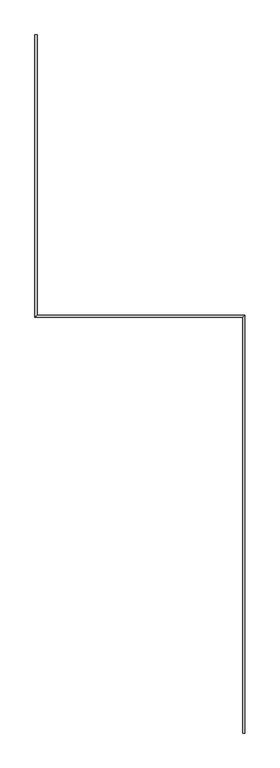
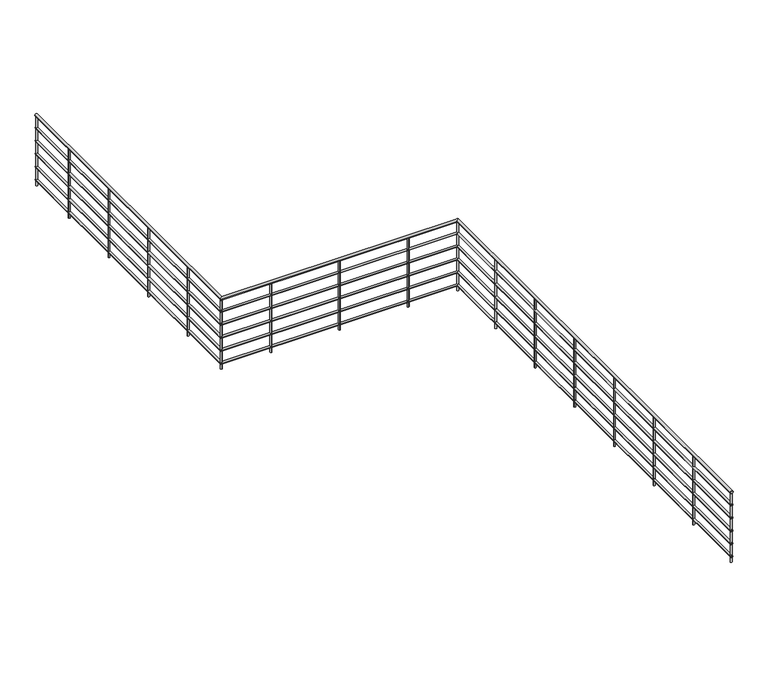
"""IFC4 building model written with IfcOpenShell, lengths in millimetres: railing geometry."""

from ifc_helpers import new_model, si_unit, point, frame, frame_2d, origin, place, context, project, spatial, circle_curve, ellipse_curve, trimmed, segment, composite_curve, outline, extrude, source, transform, mapped, element, save
from ifc_brep_helpers import plane_surface, cylinder_surface, advanced_brep


def railing_652278a1(model_context):
    return source(origin(), model_context, "Body", "SolidModel", [
        advanced_brep(
        [(-3040.9784025, -2650.3131013, 5680.0), (-3000.9784025, -2650.3131013, 5680.0), (-3040.9784025, 4254.6868987, 5680.0), (-3000.9784025, 4294.6868987, 5680.0), (-6490.9784025, 4254.6868987, 5680.0), (-6450.9784025, 4294.6868987, 5680.0), (-6490.9784025, 8949.6868987, 5680.0), (-6450.9784025, 8949.6868987, 5680.0)],
        [
            (0, 1, circle_curve(frame((-3020.9784025, -2650.3131013, 5680.0), z_axis=(0.0, -1.0, 0.0), x_axis=(1.0, 0.0, 0.0)), 20.0)),
            (1, 0, circle_curve(frame((-3020.9784025, -2650.3131013, 5680.0), z_axis=(0.0, -1.0, 0.0), x_axis=(1.0, 0.0, 0.0)), 20.0)),
            (0, 2),
            (2, 3, ellipse_curve(frame((-3020.9784025, 4274.6868987, 5680.0), z_axis=(0.707106781186546, -0.7071067811865489, 0.0), x_axis=(-0.7071067811865489, -0.7071067811865461, 0.0)), 28.2842712, 20.0)),
            (3, 1),
            (3, 2, ellipse_curve(frame((-3020.9784025, 4274.6868987, 5680.0), z_axis=(0.707106781186546, -0.7071067811865489, 0.0), x_axis=(-0.7071067811865489, -0.7071067811865461, 0.0)), 28.2842712, 20.0)),
            (2, 4),
            (4, 5, ellipse_curve(frame((-6470.9784025, 4274.6868987, 5680.0), z_axis=(0.707106781186546, -0.7071067811865489, 0.0), x_axis=(0.707106781186549, 0.7071067811865459, 0.0)), 28.2842712, 20.0)),
            (5, 3),
            (5, 4, ellipse_curve(frame((-6470.9784025, 4274.6868987, 5680.0), z_axis=(0.707106781186546, -0.7071067811865489, 0.0), x_axis=(0.707106781186549, 0.7071067811865459, 0.0)), 28.2842712, 20.0)),
            (6, 7, circle_curve(frame((-6470.9784025, 8949.6868987, 5680.0), z_axis=(0.0, 1.0, 0.0), x_axis=(1.0, 0.0, 0.0)), 20.0)),
            (7, 6, circle_curve(frame((-6470.9784025, 8949.6868987, 5680.0), z_axis=(0.0, 1.0, 0.0), x_axis=(1.0, 0.0, 0.0)), 20.0)),
            (4, 6),
            (7, 5),
        ],
        [
            plane_surface(frame((-3020.9784025, -2650.3131013, 5700.0), z_axis=(0.0, -1.0, 0.0), x_axis=(0.0, 0.0, 1.0))),
            cylinder_surface(frame((-3020.9784025, -2650.3131013, 5680.0), z_axis=(0.0, -1.0, 0.0), x_axis=(1.0, 0.0, 0.0)), 20.0),
            cylinder_surface(frame((-3020.9784025, 4274.6868987, 5680.0), z_axis=(1.0, 0.0, 0.0), x_axis=(0.0, 1.0, 0.0)), 20.0),
            plane_surface(frame((-6470.9784025, 8949.6868987, 5700.0), z_axis=(0.0, 1.0, 0.0), x_axis=(0.0, 0.0, 1.0))),
            cylinder_surface(frame((-6470.9784025, 4274.6868987, 5680.0), z_axis=(0.0, -1.0, 0.0), x_axis=(1.0, 0.0, 0.0)), 20.0),
        ],
        [
            (0, [[1, 2]]),
            (1, [[-1, 3, 4, 5]]),
            (1, [[-2, -5, 6, -3]]),
            (2, [[-4, 7, 8, 9]]),
            (2, [[-6, -9, 10, -7]]),
            (3, [[11, 12]]),
            (4, [[-8, 13, -12, 14]]),
            (4, [[-10, -14, -11, -13]]),
        ],
    ),
        advanced_brep(
        [(-3035.9784025, -2650.3131013, 5485.0), (-3005.9784025, -2650.3131013, 5485.0), (-3035.9784025, 4259.6868987, 5485.0), (-3005.9784025, 4289.6868987, 5485.0), (-6485.9784025, 4259.6868987, 5485.0), (-6455.9784025, 4289.6868987, 5485.0), (-6485.9784025, 8949.6868987, 5485.0), (-6455.9784025, 8949.6868987, 5485.0)],
        [
            (0, 1, circle_curve(frame((-3020.9784025, -2650.3131013, 5485.0), z_axis=(0.0, -1.0, 0.0), x_axis=(1.0, 0.0, 0.0)), 15.0)),
            (1, 0, circle_curve(frame((-3020.9784025, -2650.3131013, 5485.0), z_axis=(0.0, -1.0, 0.0), x_axis=(1.0, 0.0, 0.0)), 15.0)),
            (0, 2),
            (2, 3, ellipse_curve(frame((-3020.9784025, 4274.6868987, 5485.0), z_axis=(0.707106781186546, -0.7071067811865489, 0.0), x_axis=(-0.7071067811865489, -0.7071067811865461, 0.0)), 21.2132034, 15.0)),
            (3, 1),
            (3, 2, ellipse_curve(frame((-3020.9784025, 4274.6868987, 5485.0), z_axis=(0.707106781186546, -0.7071067811865489, 0.0), x_axis=(-0.7071067811865489, -0.7071067811865461, 0.0)), 21.2132034, 15.0)),
            (2, 4),
            (4, 5, ellipse_curve(frame((-6470.9784025, 4274.6868987, 5485.0), z_axis=(0.707106781186546, -0.7071067811865489, 0.0), x_axis=(0.707106781186549, 0.7071067811865459, 0.0)), 21.2132034, 15.0)),
            (5, 3),
            (5, 4, ellipse_curve(frame((-6470.9784025, 4274.6868987, 5485.0), z_axis=(0.707106781186546, -0.7071067811865489, 0.0), x_axis=(0.707106781186549, 0.7071067811865459, 0.0)), 21.2132034, 15.0)),
            (6, 7, circle_curve(frame((-6470.9784025, 8949.6868987, 5485.0), z_axis=(0.0, 1.0, 0.0), x_axis=(1.0, 0.0, 0.0)), 15.0)),
            (7, 6, circle_curve(frame((-6470.9784025, 8949.6868987, 5485.0), z_axis=(0.0, 1.0, 0.0), x_axis=(1.0, 0.0, 0.0)), 15.0)),
            (4, 6),
            (7, 5),
        ],
        [
            plane_surface(frame((-3020.9784025, -2650.3131013, 5500.0), z_axis=(0.0, -1.0, 0.0), x_axis=(0.0, 0.0, 1.0))),
            cylinder_surface(frame((-3020.9784025, -2650.3131013, 5485.0), z_axis=(0.0, -1.0, 0.0), x_axis=(1.0, 0.0, 0.0)), 15.0),
            cylinder_surface(frame((-3020.9784025, 4274.6868987, 5485.0), z_axis=(1.0, 0.0, 0.0), x_axis=(0.0, 1.0, 0.0)), 15.0),
            plane_surface(frame((-6470.9784025, 8949.6868987, 5500.0), z_axis=(0.0, 1.0, 0.0), x_axis=(0.0, 0.0, 1.0))),
            cylinder_surface(frame((-6470.9784025, 4274.6868987, 5485.0), z_axis=(0.0, -1.0, 0.0), x_axis=(1.0, 0.0, 0.0)), 15.0),
        ],
        [
            (0, [[1, 2]]),
            (1, [[-1, 3, 4, 5]]),
            (1, [[-2, -5, 6, -3]]),
            (2, [[-4, 7, 8, 9]]),
            (2, [[-6, -9, 10, -7]]),
            (3, [[11, 12]]),
            (4, [[-8, 13, -12, 14]]),
            (4, [[-10, -14, -11, -13]]),
        ],
    ),
        advanced_brep(
        [(-3035.9784025, -2650.3131013, 5285.0), (-3005.9784025, -2650.3131013, 5285.0), (-3035.9784025, 4259.6868987, 5285.0), (-3005.9784025, 4289.6868987, 5285.0), (-6485.9784025, 4259.6868987, 5285.0), (-6455.9784025, 4289.6868987, 5285.0), (-6485.9784025, 8949.6868987, 5285.0), (-6455.9784025, 8949.6868987, 5285.0)],
        [
            (0, 1, circle_curve(frame((-3020.9784025, -2650.3131013, 5285.0), z_axis=(0.0, -1.0, 0.0), x_axis=(1.0, 0.0, 0.0)), 15.0)),
            (1, 0, circle_curve(frame((-3020.9784025, -2650.3131013, 5285.0), z_axis=(0.0, -1.0, 0.0), x_axis=(1.0, 0.0, 0.0)), 15.0)),
            (0, 2),
            (2, 3, ellipse_curve(frame((-3020.9784025, 4274.6868987, 5285.0), z_axis=(0.707106781186546, -0.7071067811865489, 0.0), x_axis=(-0.7071067811865489, -0.7071067811865461, 0.0)), 21.2132034, 15.0)),
            (3, 1),
            (3, 2, ellipse_curve(frame((-3020.9784025, 4274.6868987, 5285.0), z_axis=(0.707106781186546, -0.7071067811865489, 0.0), x_axis=(-0.7071067811865489, -0.7071067811865461, 0.0)), 21.2132034, 15.0)),
            (2, 4),
            (4, 5, ellipse_curve(frame((-6470.9784025, 4274.6868987, 5285.0), z_axis=(0.707106781186546, -0.7071067811865489, 0.0), x_axis=(0.707106781186549, 0.7071067811865459, 0.0)), 21.2132034, 15.0)),
            (5, 3),
            (5, 4, ellipse_curve(frame((-6470.9784025, 4274.6868987, 5285.0), z_axis=(0.707106781186546, -0.7071067811865489, 0.0), x_axis=(0.707106781186549, 0.7071067811865459, 0.0)), 21.2132034, 15.0)),
            (6, 7, circle_curve(frame((-6470.9784025, 8949.6868987, 5285.0), z_axis=(0.0, 1.0, 0.0), x_axis=(1.0, 0.0, 0.0)), 15.0)),
            (7, 6, circle_curve(frame((-6470.9784025, 8949.6868987, 5285.0), z_axis=(0.0, 1.0, 0.0), x_axis=(1.0, 0.0, 0.0)), 15.0)),
            (4, 6),
            (7, 5),
        ],
        [
            plane_surface(frame((-3020.9784025, -2650.3131013, 5300.0), z_axis=(0.0, -1.0, 0.0), x_axis=(0.0, 0.0, 1.0))),
            cylinder_surface(frame((-3020.9784025, -2650.3131013, 5285.0), z_axis=(0.0, -1.0, 0.0), x_axis=(1.0, 0.0, 0.0)), 15.0),
            cylinder_surface(frame((-3020.9784025, 4274.6868987, 5285.0), z_axis=(1.0, 0.0, 0.0), x_axis=(0.0, 1.0, 0.0)), 15.0),
            plane_surface(frame((-6470.9784025, 8949.6868987, 5300.0), z_axis=(0.0, 1.0, 0.0), x_axis=(0.0, 0.0, 1.0))),
            cylinder_surface(frame((-6470.9784025, 4274.6868987, 5285.0), z_axis=(0.0, -1.0, 0.0), x_axis=(1.0, 0.0, 0.0)), 15.0),
        ],
        [
            (0, [[1, 2]]),
            (1, [[-1, 3, 4, 5]]),
            (1, [[-2, -5, 6, -3]]),
            (2, [[-4, 7, 8, 9]]),
            (2, [[-6, -9, 10, -7]]),
            (3, [[11, 12]]),
            (4, [[-8, 13, -12, 14]]),
            (4, [[-10, -14, -11, -13]]),
        ],
    ),
        advanced_brep(
        [(-3035.9784025, -2650.3131013, 5085.0), (-3005.9784025, -2650.3131013, 5085.0), (-3035.9784025, 4259.6868987, 5085.0), (-3005.9784025, 4289.6868987, 5085.0), (-6485.9784025, 4259.6868987, 5085.0), (-6455.9784025, 4289.6868987, 5085.0), (-6485.9784025, 8949.6868987, 5085.0), (-6455.9784025, 8949.6868987, 5085.0)],
        [
            (0, 1, circle_curve(frame((-3020.9784025, -2650.3131013, 5085.0), z_axis=(0.0, -1.0, 0.0), x_axis=(1.0, 0.0, 0.0)), 15.0)),
            (1, 0, circle_curve(frame((-3020.9784025, -2650.3131013, 5085.0), z_axis=(0.0, -1.0, 0.0), x_axis=(1.0, 0.0, 0.0)), 15.0)),
            (0, 2),
            (2, 3, ellipse_curve(frame((-3020.9784025, 4274.6868987, 5085.0), z_axis=(0.707106781186546, -0.7071067811865489, 0.0), x_axis=(-0.7071067811865489, -0.7071067811865461, 0.0)), 21.2132034, 15.0)),
            (3, 1),
            (3, 2, ellipse_curve(frame((-3020.9784025, 4274.6868987, 5085.0), z_axis=(0.707106781186546, -0.7071067811865489, 0.0), x_axis=(-0.7071067811865489, -0.7071067811865461, 0.0)), 21.2132034, 15.0)),
            (2, 4),
            (4, 5, ellipse_curve(frame((-6470.9784025, 4274.6868987, 5085.0), z_axis=(0.707106781186546, -0.7071067811865489, 0.0), x_axis=(0.707106781186549, 0.7071067811865459, 0.0)), 21.2132034, 15.0)),
            (5, 3),
            (5, 4, ellipse_curve(frame((-6470.9784025, 4274.6868987, 5085.0), z_axis=(0.707106781186546, -0.7071067811865489, 0.0), x_axis=(0.707106781186549, 0.7071067811865459, 0.0)), 21.2132034, 15.0)),
            (6, 7, circle_curve(frame((-6470.9784025, 8949.6868987, 5085.0), z_axis=(0.0, 1.0, 0.0), x_axis=(1.0, 0.0, 0.0)), 15.0)),
            (7, 6, circle_curve(frame((-6470.9784025, 8949.6868987, 5085.0), z_axis=(0.0, 1.0, 0.0), x_axis=(1.0, 0.0, 0.0)), 15.0)),
            (4, 6),
            (7, 5),
        ],
        [
            plane_surface(frame((-3020.9784025, -2650.3131013, 5100.0), z_axis=(0.0, -1.0, 0.0), x_axis=(0.0, 0.0, 1.0))),
            cylinder_surface(frame((-3020.9784025, -2650.3131013, 5085.0), z_axis=(0.0, -1.0, 0.0), x_axis=(1.0, 0.0, 0.0)), 15.0),
            cylinder_surface(frame((-3020.9784025, 4274.6868987, 5085.0), z_axis=(1.0, 0.0, 0.0), x_axis=(0.0, 1.0, 0.0)), 15.0),
            plane_surface(frame((-6470.9784025, 8949.6868987, 5100.0), z_axis=(0.0, 1.0, 0.0), x_axis=(0.0, 0.0, 1.0))),
            cylinder_surface(frame((-6470.9784025, 4274.6868987, 5085.0), z_axis=(0.0, -1.0, 0.0), x_axis=(1.0, 0.0, 0.0)), 15.0),
        ],
        [
            (0, [[1, 2]]),
            (1, [[-1, 3, 4, 5]]),
            (1, [[-2, -5, 6, -3]]),
            (2, [[-4, 7, 8, 9]]),
            (2, [[-6, -9, 10, -7]]),
            (3, [[11, 12]]),
            (4, [[-8, 13, -12, 14]]),
            (4, [[-10, -14, -11, -13]]),
        ],
    ),
        advanced_brep(
        [(-3035.9784025, -2650.3131013, 4885.0), (-3005.9784025, -2650.3131013, 4885.0), (-3035.9784025, 4259.6868987, 4885.0), (-3005.9784025, 4289.6868987, 4885.0), (-6485.9784025, 4259.6868987, 4885.0), (-6455.9784025, 4289.6868987, 4885.0), (-6485.9784025, 8949.6868987, 4885.0), (-6455.9784025, 8949.6868987, 4885.0)],
        [
            (0, 1, circle_curve(frame((-3020.9784025, -2650.3131013, 4885.0), z_axis=(0.0, -1.0, 0.0), x_axis=(1.0, 0.0, 0.0)), 15.0)),
            (1, 0, circle_curve(frame((-3020.9784025, -2650.3131013, 4885.0), z_axis=(0.0, -1.0, 0.0), x_axis=(1.0, 0.0, 0.0)), 15.0)),
            (0, 2),
            (2, 3, ellipse_curve(frame((-3020.9784025, 4274.6868987, 4885.0), z_axis=(0.707106781186546, -0.7071067811865489, 0.0), x_axis=(-0.7071067811865489, -0.7071067811865461, 0.0)), 21.2132034, 15.0)),
            (3, 1),
            (3, 2, ellipse_curve(frame((-3020.9784025, 4274.6868987, 4885.0), z_axis=(0.707106781186546, -0.7071067811865489, 0.0), x_axis=(-0.7071067811865489, -0.7071067811865461, 0.0)), 21.2132034, 15.0)),
            (2, 4),
            (4, 5, ellipse_curve(frame((-6470.9784025, 4274.6868987, 4885.0), z_axis=(0.707106781186546, -0.7071067811865489, 0.0), x_axis=(0.707106781186549, 0.7071067811865459, 0.0)), 21.2132034, 15.0)),
            (5, 3),
            (5, 4, ellipse_curve(frame((-6470.9784025, 4274.6868987, 4885.0), z_axis=(0.707106781186546, -0.7071067811865489, 0.0), x_axis=(0.707106781186549, 0.7071067811865459, 0.0)), 21.2132034, 15.0)),
            (6, 7, circle_curve(frame((-6470.9784025, 8949.6868987, 4885.0), z_axis=(0.0, 1.0, 0.0), x_axis=(1.0, 0.0, 0.0)), 15.0)),
            (7, 6, circle_curve(frame((-6470.9784025, 8949.6868987, 4885.0), z_axis=(0.0, 1.0, 0.0), x_axis=(1.0, 0.0, 0.0)), 15.0)),
            (4, 6),
            (7, 5),
        ],
        [
            plane_surface(frame((-3020.9784025, -2650.3131013, 4900.0), z_axis=(0.0, -1.0, 0.0), x_axis=(0.0, 0.0, 1.0))),
            cylinder_surface(frame((-3020.9784025, -2650.3131013, 4885.0), z_axis=(0.0, -1.0, 0.0), x_axis=(1.0, 0.0, 0.0)), 15.0),
            cylinder_surface(frame((-3020.9784025, 4274.6868987, 4885.0), z_axis=(1.0, 0.0, 0.0), x_axis=(0.0, 1.0, 0.0)), 15.0),
            plane_surface(frame((-6470.9784025, 8949.6868987, 4900.0), z_axis=(0.0, 1.0, 0.0), x_axis=(0.0, 0.0, 1.0))),
            cylinder_surface(frame((-6470.9784025, 4274.6868987, 4885.0), z_axis=(0.0, -1.0, 0.0), x_axis=(1.0, 0.0, 0.0)), 15.0),
        ],
        [
            (0, [[1, 2]]),
            (1, [[-1, 3, 4, 5]]),
            (1, [[-2, -5, 6, -3]]),
            (2, [[-4, 7, 8, 9]]),
            (2, [[-6, -9, 10, -7]]),
            (3, [[11, 12]]),
            (4, [[-8, 13, -12, 14]]),
            (4, [[-10, -14, -11, -13]]),
        ],
    ),
        advanced_brep(
        [(-3035.9784025, -2650.3131013, 4685.0), (-3005.9784025, -2650.3131013, 4685.0), (-3035.9784025, 4259.6868987, 4685.0), (-3005.9784025, 4289.6868987, 4685.0), (-6485.9784025, 4259.6868987, 4685.0), (-6455.9784025, 4289.6868987, 4685.0), (-6485.9784025, 8949.6868987, 4685.0), (-6455.9784025, 8949.6868987, 4685.0)],
        [
            (0, 1, circle_curve(frame((-3020.9784025, -2650.3131013, 4685.0), z_axis=(0.0, -1.0, 0.0), x_axis=(1.0, 0.0, 0.0)), 15.0)),
            (1, 0, circle_curve(frame((-3020.9784025, -2650.3131013, 4685.0), z_axis=(0.0, -1.0, 0.0), x_axis=(1.0, 0.0, 0.0)), 15.0)),
            (0, 2),
            (2, 3, ellipse_curve(frame((-3020.9784025, 4274.6868987, 4685.0), z_axis=(0.707106781186546, -0.7071067811865489, 0.0), x_axis=(-0.7071067811865489, -0.7071067811865461, 0.0)), 21.2132034, 15.0)),
            (3, 1),
            (3, 2, ellipse_curve(frame((-3020.9784025, 4274.6868987, 4685.0), z_axis=(0.707106781186546, -0.7071067811865489, 0.0), x_axis=(-0.7071067811865489, -0.7071067811865461, 0.0)), 21.2132034, 15.0)),
            (2, 4),
            (4, 5, ellipse_curve(frame((-6470.9784025, 4274.6868987, 4685.0), z_axis=(0.707106781186546, -0.7071067811865489, 0.0), x_axis=(0.707106781186549, 0.7071067811865459, 0.0)), 21.2132034, 15.0)),
            (5, 3),
            (5, 4, ellipse_curve(frame((-6470.9784025, 4274.6868987, 4685.0), z_axis=(0.707106781186546, -0.7071067811865489, 0.0), x_axis=(0.707106781186549, 0.7071067811865459, 0.0)), 21.2132034, 15.0)),
            (6, 7, circle_curve(frame((-6470.9784025, 8949.6868987, 4685.0), z_axis=(0.0, 1.0, 0.0), x_axis=(1.0, 0.0, 0.0)), 15.0)),
            (7, 6, circle_curve(frame((-6470.9784025, 8949.6868987, 4685.0), z_axis=(0.0, 1.0, 0.0), x_axis=(1.0, 0.0, 0.0)), 15.0)),
            (4, 6),
            (7, 5),
        ],
        [
            plane_surface(frame((-3020.9784025, -2650.3131013, 4700.0), z_axis=(0.0, -1.0, 0.0), x_axis=(0.0, 0.0, 1.0))),
            cylinder_surface(frame((-3020.9784025, -2650.3131013, 4685.0), z_axis=(0.0, -1.0, 0.0), x_axis=(1.0, 0.0, 0.0)), 15.0),
            cylinder_surface(frame((-3020.9784025, 4274.6868987, 4685.0), z_axis=(1.0, 0.0, 0.0), x_axis=(0.0, 1.0, 0.0)), 15.0),
            plane_surface(frame((-6470.9784025, 8949.6868987, 4700.0), z_axis=(0.0, 1.0, 0.0), x_axis=(0.0, 0.0, 1.0))),
            cylinder_surface(frame((-6470.9784025, 4274.6868987, 4685.0), z_axis=(0.0, -1.0, 0.0), x_axis=(1.0, 0.0, 0.0)), 15.0),
        ],
        [
            (0, [[1, 2]]),
            (1, [[-1, 3, 4, 5]]),
            (1, [[-2, -5, 6, -3]]),
            (2, [[-4, 7, 8, 9]]),
            (2, [[-6, -9, 10, -7]]),
            (3, [[11, 12]]),
            (4, [[-8, 13, -12, 14]]),
            (4, [[-10, -14, -11, -13]]),
        ],
    ),
        extrude(outline(composite_curve([segment(trimmed(circle_curve(frame_2d((-6470.9784025, 8112.1868987)), 12.5), [point((-6483.4784025, 8112.1868987))], [point((-6458.4784025, 8112.1868987))], False, "CARTESIAN"), True, "CONTINUOUS"), segment(trimmed(circle_curve(frame_2d((-6470.9784025, 8112.1868987)), 12.5), [point((-6458.4784025, 8112.1868987))], [point((-6483.4784025, 8112.1868987))], False, "CARTESIAN"), True, "CONTINUOUS")], self_intersect=False)), frame((0.0, 0.0, 4600.0), z_axis=(0.0, 0.0, 1.0), x_axis=(1.0, 0.0, 0.0)), (0.0, 0.0, 1.0), 1060.0),
        extrude(outline(composite_curve([segment(trimmed(circle_curve(frame_2d((-6470.9784025, 7112.1868987)), 12.5), [point((-6483.4784025, 7112.1868987))], [point((-6458.4784025, 7112.1868987))], False, "CARTESIAN"), True, "CONTINUOUS"), segment(trimmed(circle_curve(frame_2d((-6470.9784025, 7112.1868987)), 12.5), [point((-6458.4784025, 7112.1868987))], [point((-6483.4784025, 7112.1868987))], False, "CARTESIAN"), True, "CONTINUOUS")], self_intersect=False)), frame((0.0, 0.0, 4600.0), z_axis=(0.0, 0.0, 1.0), x_axis=(1.0, 0.0, 0.0)), (0.0, 0.0, 1.0), 1060.0),
        extrude(outline(composite_curve([segment(trimmed(circle_curve(frame_2d((-6470.9784025, 6112.1868987)), 12.5), [point((-6483.4784025, 6112.1868987))], [point((-6458.4784025, 6112.1868987))], False, "CARTESIAN"), True, "CONTINUOUS"), segment(trimmed(circle_curve(frame_2d((-6470.9784025, 6112.1868987)), 12.5), [point((-6458.4784025, 6112.1868987))], [point((-6483.4784025, 6112.1868987))], False, "CARTESIAN"), True, "CONTINUOUS")], self_intersect=False)), frame((0.0, 0.0, 4600.0), z_axis=(0.0, 0.0, 1.0), x_axis=(1.0, 0.0, 0.0)), (0.0, 0.0, 1.0), 1060.0),
        extrude(outline(composite_curve([segment(trimmed(circle_curve(frame_2d((-6470.9784025, 5112.1868987)), 12.5), [point((-6483.4784025, 5112.1868987))], [point((-6458.4784025, 5112.1868987))], False, "CARTESIAN"), True, "CONTINUOUS"), segment(trimmed(circle_curve(frame_2d((-6470.9784025, 5112.1868987)), 12.5), [point((-6458.4784025, 5112.1868987))], [point((-6483.4784025, 5112.1868987))], False, "CARTESIAN"), True, "CONTINUOUS")], self_intersect=False)), frame((0.0, 0.0, 4600.0), z_axis=(0.0, 0.0, 1.0), x_axis=(1.0, 0.0, 0.0)), (0.0, 0.0, 1.0), 1060.0),
        extrude(outline(composite_curve([segment(trimmed(circle_curve(frame_2d((-5745.9784025, 4274.6868987)), 12.5), [point((-5745.9784025, 4262.1868987))], [point((-5745.9784025, 4287.1868987))], False, "CARTESIAN"), True, "CONTINUOUS"), segment(trimmed(circle_curve(frame_2d((-5745.9784025, 4274.6868987)), 12.5), [point((-5745.9784025, 4287.1868987))], [point((-5745.9784025, 4262.1868987))], False, "CARTESIAN"), True, "CONTINUOUS")], self_intersect=False)), frame((0.0, 0.0, 4600.0), z_axis=(0.0, 0.0, 1.0), x_axis=(1.0, 0.0, 0.0)), (0.0, 0.0, 1.0), 1060.0),
        extrude(outline(composite_curve([segment(trimmed(circle_curve(frame_2d((-4745.9784025, 4274.6868987)), 12.5), [point((-4745.9784025, 4262.1868987))], [point((-4745.9784025, 4287.1868987))], False, "CARTESIAN"), True, "CONTINUOUS"), segment(trimmed(circle_curve(frame_2d((-4745.9784025, 4274.6868987)), 12.5), [point((-4745.9784025, 4287.1868987))], [point((-4745.9784025, 4262.1868987))], False, "CARTESIAN"), True, "CONTINUOUS")], self_intersect=False)), frame((0.0, 0.0, 4600.0), z_axis=(0.0, 0.0, 1.0), x_axis=(1.0, 0.0, 0.0)), (0.0, 0.0, 1.0), 1060.0),
        extrude(outline(composite_curve([segment(trimmed(circle_curve(frame_2d((-3745.9784025, 4274.6868987)), 12.5), [point((-3745.9784025, 4262.1868987))], [point((-3745.9784025, 4287.1868987))], False, "CARTESIAN"), True, "CONTINUOUS"), segment(trimmed(circle_curve(frame_2d((-3745.9784025, 4274.6868987)), 12.5), [point((-3745.9784025, 4287.1868987))], [point((-3745.9784025, 4262.1868987))], False, "CARTESIAN"), True, "CONTINUOUS")], self_intersect=False)), frame((0.0, 0.0, 4600.0), z_axis=(0.0, 0.0, 1.0), x_axis=(1.0, 0.0, 0.0)), (0.0, 0.0, 1.0), 1060.0),
        extrude(outline(composite_curve([segment(trimmed(circle_curve(frame_2d((-3020.9784025, 3312.1868987)), 12.5), [point((-3033.4784025, 3312.1868987))], [point((-3008.4784025, 3312.1868987))], False, "CARTESIAN"), True, "CONTINUOUS"), segment(trimmed(circle_curve(frame_2d((-3020.9784025, 3312.1868987)), 12.5), [point((-3008.4784025, 3312.1868987))], [point((-3033.4784025, 3312.1868987))], False, "CARTESIAN"), True, "CONTINUOUS")], self_intersect=False)), frame((0.0, 0.0, 4600.0), z_axis=(0.0, 0.0, 1.0), x_axis=(1.0, 0.0, 0.0)), (0.0, 0.0, 1.0), 1060.0),
        extrude(outline(composite_curve([segment(trimmed(circle_curve(frame_2d((-3020.9784025, 2312.1868987)), 12.5), [point((-3033.4784025, 2312.1868987))], [point((-3008.4784025, 2312.1868987))], False, "CARTESIAN"), True, "CONTINUOUS"), segment(trimmed(circle_curve(frame_2d((-3020.9784025, 2312.1868987)), 12.5), [point((-3008.4784025, 2312.1868987))], [point((-3033.4784025, 2312.1868987))], False, "CARTESIAN"), True, "CONTINUOUS")], self_intersect=False)), frame((0.0, 0.0, 4600.0), z_axis=(0.0, 0.0, 1.0), x_axis=(1.0, 0.0, 0.0)), (0.0, 0.0, 1.0), 1060.0),
        extrude(outline(composite_curve([segment(trimmed(circle_curve(frame_2d((-3020.9784025, 1312.1868987)), 12.5), [point((-3033.4784025, 1312.1868987))], [point((-3008.4784025, 1312.1868987))], False, "CARTESIAN"), True, "CONTINUOUS"), segment(trimmed(circle_curve(frame_2d((-3020.9784025, 1312.1868987)), 12.5), [point((-3008.4784025, 1312.1868987))], [point((-3033.4784025, 1312.1868987))], False, "CARTESIAN"), True, "CONTINUOUS")], self_intersect=False)), frame((0.0, 0.0, 4600.0), z_axis=(0.0, 0.0, 1.0), x_axis=(1.0, 0.0, 0.0)), (0.0, 0.0, 1.0), 1060.0),
        extrude(outline(composite_curve([segment(trimmed(circle_curve(frame_2d((-3020.9784025, 312.1868987)), 12.5), [point((-3033.4784025, 312.1868987))], [point((-3008.4784025, 312.1868987))], False, "CARTESIAN"), True, "CONTINUOUS"), segment(trimmed(circle_curve(frame_2d((-3020.9784025, 312.1868987)), 12.5), [point((-3008.4784025, 312.1868987))], [point((-3033.4784025, 312.1868987))], False, "CARTESIAN"), True, "CONTINUOUS")], self_intersect=False)), frame((0.0, 0.0, 4600.0), z_axis=(0.0, 0.0, 1.0), x_axis=(1.0, 0.0, 0.0)), (0.0, 0.0, 1.0), 1060.0),
        extrude(outline(composite_curve([segment(trimmed(circle_curve(frame_2d((-3020.9784025, -687.8131013)), 12.5), [point((-3033.4784025, -687.8131013))], [point((-3008.4784025, -687.8131013))], False, "CARTESIAN"), True, "CONTINUOUS"), segment(trimmed(circle_curve(frame_2d((-3020.9784025, -687.8131013)), 12.5), [point((-3008.4784025, -687.8131013))], [point((-3033.4784025, -687.8131013))], False, "CARTESIAN"), True, "CONTINUOUS")], self_intersect=False)), frame((0.0, 0.0, 4600.0), z_axis=(0.0, 0.0, 1.0), x_axis=(1.0, 0.0, 0.0)), (0.0, 0.0, 1.0), 1060.0),
        extrude(outline(composite_curve([segment(trimmed(circle_curve(frame_2d((-3020.9784025, -1687.8131013)), 12.5), [point((-3033.4784025, -1687.8131013))], [point((-3008.4784025, -1687.8131013))], False, "CARTESIAN"), True, "CONTINUOUS"), segment(trimmed(circle_curve(frame_2d((-3020.9784025, -1687.8131013)), 12.5), [point((-3008.4784025, -1687.8131013))], [point((-3033.4784025, -1687.8131013))], False, "CARTESIAN"), True, "CONTINUOUS")], self_intersect=False)), frame((0.0, 0.0, 4600.0), z_axis=(0.0, 0.0, 1.0), x_axis=(1.0, 0.0, 0.0)), (0.0, 0.0, 1.0), 1060.0),
        extrude(outline(composite_curve([segment(trimmed(circle_curve(frame_2d((-6470.9784025, 4274.6868987)), 12.5), [point((-6470.9784025, 4262.1868987))], [point((-6470.9784025, 4287.1868987))], False, "CARTESIAN"), True, "CONTINUOUS"), segment(trimmed(circle_curve(frame_2d((-6470.9784025, 4274.6868987)), 12.5), [point((-6470.9784025, 4287.1868987))], [point((-6470.9784025, 4262.1868987))], False, "CARTESIAN"), True, "CONTINUOUS")], self_intersect=False)), frame((0.0, 0.0, 4600.0), z_axis=(0.0, 0.0, 1.0), x_axis=(1.0, 0.0, 0.0)), (0.0, 0.0, 1.0), 1060.0),
        extrude(outline(composite_curve([segment(trimmed(circle_curve(frame_2d((-3020.9784025, 4274.6868987)), 12.5), [point((-3033.4784025, 4274.6868987))], [point((-3008.4784025, 4274.6868987))], False, "CARTESIAN"), True, "CONTINUOUS"), segment(trimmed(circle_curve(frame_2d((-3020.9784025, 4274.6868987)), 12.5), [point((-3008.4784025, 4274.6868987))], [point((-3033.4784025, 4274.6868987))], False, "CARTESIAN"), True, "CONTINUOUS")], self_intersect=False)), frame((0.0, 0.0, 4600.0), z_axis=(0.0, 0.0, 1.0), x_axis=(1.0, 0.0, 0.0)), (0.0, 0.0, 1.0), 1060.0),
        extrude(outline(composite_curve([segment(trimmed(circle_curve(frame_2d((-6470.9784025, 8937.4868987)), 12.5), [point((-6483.4784025, 8937.4868987))], [point((-6458.4784025, 8937.4868987))], False, "CARTESIAN"), True, "CONTINUOUS"), segment(trimmed(circle_curve(frame_2d((-6470.9784025, 8937.4868987)), 12.5), [point((-6458.4784025, 8937.4868987))], [point((-6483.4784025, 8937.4868987))], False, "CARTESIAN"), True, "CONTINUOUS")], self_intersect=False)), frame((0.0, 0.0, 4600.0), z_axis=(0.0, 0.0, 1.0), x_axis=(1.0, 0.0, 0.0)), (0.0, 0.0, 1.0), 1060.0),
        extrude(outline(composite_curve([segment(trimmed(circle_curve(frame_2d((-3020.9784025, -2638.1131013)), 12.5), [point((-3033.4784025, -2638.1131013))], [point((-3008.4784025, -2638.1131013))], False, "CARTESIAN"), True, "CONTINUOUS"), segment(trimmed(circle_curve(frame_2d((-3020.9784025, -2638.1131013)), 12.5), [point((-3008.4784025, -2638.1131013))], [point((-3033.4784025, -2638.1131013))], False, "CARTESIAN"), True, "CONTINUOUS")], self_intersect=False)), frame((0.0, 0.0, 4600.0), z_axis=(0.0, 0.0, 1.0), x_axis=(1.0, 0.0, 0.0)), (0.0, 0.0, 1.0), 1060.0),
    ])


if __name__ == "__main__":
    model = new_model("IFC4")
    model_context = context("Model", 3, world=origin())
    ifc_project = project(units=[si_unit("LENGTHUNIT", "METRE", prefix="MILLI")], contexts=[model_context])
    site = spatial("IfcSite", under=ifc_project)
    building = spatial("IfcBuilding", under=site)
    placement = place(None, origin())
    railing_shape = railing_652278a1(model_context)
    element("IfcRailing", 1, at=placement, inside=building, context=model_context, shape_type="MappedRepresentation", body=[
        mapped(railing_shape, transform((0.0, 0.0, 0.0), x_axis=(1.0, 0.0, 0.0), y_axis=(0.0, 1.0, 0.0), z_axis=(0.0, 0.0, 1.0))),
    ])
    save(model, "model.ifc")
